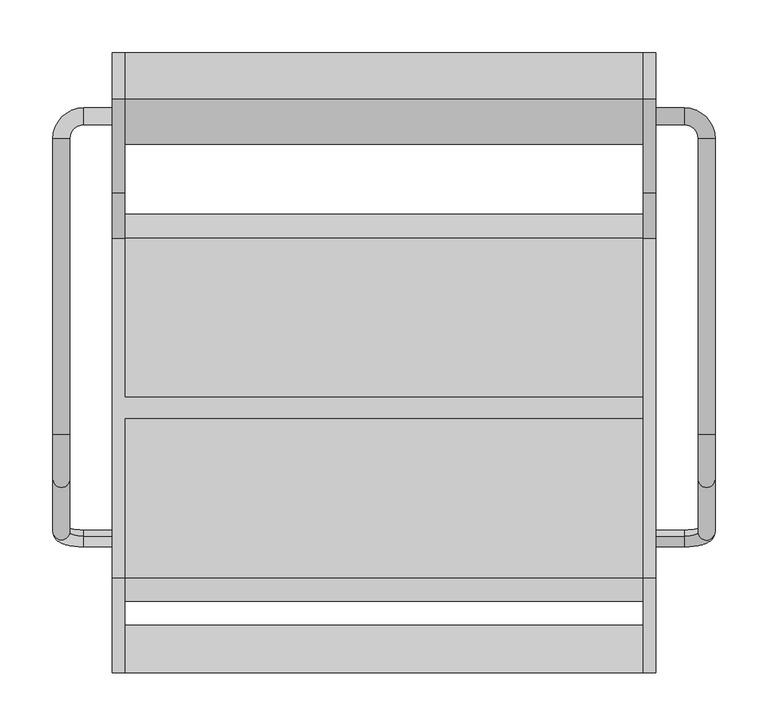
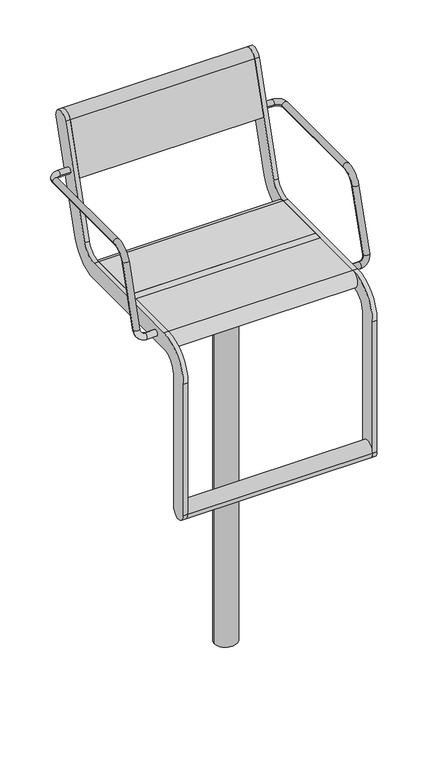
"""IFC4 building model written with IfcOpenShell, lengths in millimetres: furniture geometry."""

from ifc_helpers import new_model, si_unit, point, frame, frame_2d, origin, origin_2d, place, context, project, spatial, polyline, circle_curve, ellipse_curve, trimmed, segment, composite_curve, outline, extrude, source, transform, mapped, element, save
from ifc_brep_helpers import plane_surface, cylinder_surface, revolved_surface, advanced_brep


def furniture_77003b88(model_context):
    return source(origin(), model_context, "Body", "SolidModel", [
        extrude(outline(composite_curve([segment(trimmed(circle_curve(origin_2d(), 40.0), [point((-40.0, 0.0))], [point((40.0, 0.0))], False, "CARTESIAN"), True, "CONTINUOUS"), segment(trimmed(circle_curve(origin_2d(), 40.0), [point((40.0, 0.0))], [point((-40.0, 0.0))], False, "CARTESIAN"), True, "CONTINUOUS")], self_intersect=False)), frame((0.0, 0.0, 578.999979), z_axis=(0.0, 0.0, 1.0), x_axis=(1.0, 0.0, 0.0)), (0.0, 0.0, 1.0), 60.0000441),
        extrude(outline(polyline([(75.0, 125.0), (75.0, -125.0), (-75.0, -125.0), (-75.0, 125.0), (75.0, 125.0)])), frame((0.0, 0.0, 639.0000231), z_axis=(0.0, 0.0, 1.0), x_axis=(1.0, 0.0, 0.0)), (0.0, 0.0, 1.0), 15.9999681),
        extrude(outline(composite_curve([segment(trimmed(circle_curve(origin_2d(), 30.0), [point((-30.0, 0.0))], [point((30.0, 0.0))], False, "CARTESIAN"), True, "CONTINUOUS"), segment(trimmed(circle_curve(origin_2d(), 30.0), [point((30.0, 0.0))], [point((-30.0, 0.0))], False, "CARTESIAN"), True, "CONTINUOUS")], self_intersect=False)), frame((0.0, 0.0, -350.0), z_axis=(0.0, 0.0, 1.0), x_axis=(1.0, 0.0, 0.0)), (0.0, 0.0, 1.0), 928.999979),
        extrude(outline(composite_curve([segment(trimmed(circle_curve(frame_2d((-228.4999475, 240.0002133)), 22.4999984), [point((-205.9999492, 240.0002133))], [point((-250.9999459, 240.0002133))], False, "CARTESIAN"), True, "CONTINUOUS"), segment(trimmed(circle_curve(frame_2d((-228.4999475, 240.0002133)), 22.4999984), [point((-250.9999459, 240.0002133))], [point((-205.9999492, 240.0002133))], False, "CARTESIAN"), True, "CONTINUOUS")], self_intersect=False)), frame((-245.0, 0.0, 0.0), z_axis=(1.0, 0.0, 0.0), x_axis=(0.0, 1.0, 0.0)), (0.0, 0.0, 1.0), 490.0),
        extrude(outline(composite_curve([segment(trimmed(circle_curve(frame_2d((312.5544541, 1013.1126327)), 22.5), [point((291.0375971, 1019.6909961))], [point((334.0713112, 1006.5342693))], False, "CARTESIAN"), True, "CONTINUOUS"), segment(polyline([(334.0713112, 1006.5342693), (246.067428, 718.6865378)]), True, "CONTINUOUS"), segment(trimmed(circle_curve(frame_2d((160.0, 744.9999912)), 90.0), [point((246.067428, 718.6865378))], [point((160.0, 654.9999912))], False, "CARTESIAN"), True, "CONTINUOUS"), segment(polyline([(160.0, 654.9999912), (-161.000007, 654.9999912)]), True, "CONTINUOUS"), segment(trimmed(circle_curve(frame_2d((-161.000007, 610.000049)), 44.9999422), [point((-161.000007, 654.9999912))], [point((-205.9999492, 610.000049))], True, "CARTESIAN"), True, "CONTINUOUS"), segment(polyline([(-205.9999492, 610.000049), (-205.9999492, 240.0002133)]), True, "CONTINUOUS"), segment(trimmed(circle_curve(frame_2d((-228.4999475, 240.0002133)), 22.4999984), [point((-205.9999492, 240.0002133))], [point((-250.9999459, 240.0002133))], False, "CARTESIAN"), True, "CONTINUOUS"), segment(polyline([(-250.9999459, 240.0002133), (-250.9999459, 610.0000453)]), True, "CONTINUOUS"), segment(trimmed(circle_curve(frame_2d((-161.0, 610.0000453)), 89.9999459), [point((-250.9999459, 610.0000453))], [point((-161.0, 699.9999912))], False, "CARTESIAN"), True, "CONTINUOUS"), segment(polyline([(-161.0, 699.9999912), (160.0, 699.9999912)]), True, "CONTINUOUS"), segment(trimmed(circle_curve(frame_2d((160.0, 744.9999912)), 45.0), [point((160.0, 699.9999912))], [point((203.033714, 731.8432645))], True, "CARTESIAN"), True, "CONTINUOUS"), segment(polyline([(203.033714, 731.8432645), (291.0375971, 1019.6909961)]), True, "CONTINUOUS")], self_intersect=False)), frame((245.0000214, 0.0, 0.0), z_axis=(1.0, 0.0, 0.0), x_axis=(0.0, 1.0, 0.0)), (0.0, 0.0, 1.0), 12.0),
        advanced_brep(
        [(-257.0, -121.6610264, 685.1504293), (-257.0, -126.3389736, 669.8495532), (-284.0, -126.3389736, 669.8495532), (-284.0, -121.6610264, 685.1504293), (-313.0, -117.8601942, 697.5823911), (-297.0, -117.8601942, 697.5823911), (-313.0, 254.0, 891.4999912), (-313.0, -25.2753858, 891.4999912), (-297.0, -25.2753858, 891.4999912), (-297.0, 254.0, 891.4999912), (-297.0, -68.3090998, 859.6567179), (-313.0, -68.3090998, 859.6567179), (-257.0, 267.0, 891.4999912), (-257.0, 283.0, 891.4999912), (-284.0, 283.0, 891.4999912), (-284.0, 267.0, 891.4999912)],
        [
            (0, 1, circle_curve(frame((-257.0, -124.0, 677.4999912), z_axis=(1.0, 0.0, 0.0), x_axis=(0.0, -0.2923717047227402, -0.9563047559630344)), 8.0)),
            (1, 0, circle_curve(frame((-257.0, -124.0, 677.4999912), z_axis=(1.0, 0.0, 0.0), x_axis=(0.0, -0.2923717047227402, -0.9563047559630344)), 8.0)),
            (1, 2),
            (2, 3, circle_curve(frame((-284.0, -124.0, 677.4999912), z_axis=(1.0, 0.0, 0.0), x_axis=(0.0, -0.2923717047227402, -0.9563047559630344)), 8.0)),
            (3, 0),
            (3, 2, circle_curve(frame((-284.0, -124.0, 677.4999912), z_axis=(1.0, 0.0, 0.0), x_axis=(0.0, -0.2923717047227402, -0.9563047559630344)), 8.0)),
            (2, 4, circle_curve(frame((-284.0, -117.8601942, 697.5823911), z_axis=(0.0, 0.9563047559630344, -0.29237170472274027), x_axis=(0.0, -0.29237170472274027, -0.9563047559630344)), 29.0)),
            (4, 5, circle_curve(frame((-305.0, -117.8601942, 697.5823911), z_axis=(0.0, -0.29237170472274027, -0.9563047559630344), x_axis=(-1.0, 0.0, 0.0)), 8.0)),
            (5, 3, circle_curve(frame((-284.0, -117.8601942, 697.5823911), z_axis=(0.0, -0.9563047559630344, 0.29237170472274027), x_axis=(0.0, -0.29237170472274027, -0.9563047559630344)), 13.0)),
            (5, 4, circle_curve(frame((-305.0, -117.8601942, 697.5823911), z_axis=(0.0, -0.29237170472274027, -0.9563047559630344), x_axis=(-1.0, 0.0, 0.0)), 8.0)),
            (6, 7),
            (7, 8, circle_curve(frame((-305.0, -25.2753858, 891.4999912), z_axis=(0.0, 1.0, 0.0), x_axis=(-1.0, 0.0, 0.0)), 8.0)),
            (8, 9),
            (9, 6, circle_curve(frame((-305.0, 254.0, 891.4999912), z_axis=(0.0, -1.0, 0.0), x_axis=(-1.0, 0.0, 0.0)), 8.0)),
            (6, 9, circle_curve(frame((-305.0, 254.0, 891.4999912), z_axis=(0.0, -1.0, 0.0), x_axis=(-1.0, 0.0, 0.0)), 8.0)),
            (8, 7, circle_curve(frame((-305.0, -25.2753858, 891.4999912), z_axis=(0.0, 1.0, 0.0), x_axis=(-1.0, 0.0, 0.0)), 8.0)),
            (10, 11, circle_curve(frame((-305.0, -68.3090998, 859.6567179), z_axis=(0.0, -0.292371704722738, -0.9563047559630351), x_axis=(-1.0, 0.0, 0.0)), 8.0)),
            (11, 4),
            (5, 10),
            (11, 10, circle_curve(frame((-305.0, -68.3090998, 859.6567179), z_axis=(0.0, -0.292371704722738, -0.9563047559630351), x_axis=(-1.0, 0.0, 0.0)), 8.0)),
            (7, 11, circle_curve(frame((-313.0, -25.2753858, 846.4999912), z_axis=(1.0, 0.0, 0.0), x_axis=(0.0, 0.0, 1.0)), 45.0)),
            (10, 8, circle_curve(frame((-297.0, -25.2753858, 846.4999912), z_axis=(-1.0, 0.0, 0.0), x_axis=(0.0, 0.0, 1.0)), 45.0)),
            (12, 13, circle_curve(frame((-257.0, 275.0, 891.4999912), z_axis=(1.0, 0.0, 0.0), x_axis=(0.0, 1.0, 0.0)), 8.0)),
            (13, 12, circle_curve(frame((-257.0, 275.0, 891.4999912), z_axis=(1.0, 0.0, 0.0), x_axis=(0.0, 1.0, 0.0)), 8.0)),
            (13, 14),
            (14, 15, circle_curve(frame((-284.0, 275.0, 891.4999912), z_axis=(1.0, 0.0, 0.0), x_axis=(0.0, 1.0, 0.0)), 8.0)),
            (15, 12),
            (15, 14, circle_curve(frame((-284.0, 275.0, 891.4999912), z_axis=(1.0, 0.0, 0.0), x_axis=(0.0, 1.0, 0.0)), 8.0)),
            (14, 6, circle_curve(frame((-284.0, 254.0, 891.4999912), z_axis=(0.0, 0.0, 1.0), x_axis=(0.0, 1.0, 0.0)), 29.0)),
            (9, 15, circle_curve(frame((-284.0, 254.0, 891.4999912), z_axis=(0.0, 0.0, -1.0), x_axis=(0.0, 1.0, 0.0)), 13.0)),
        ],
        [
            plane_surface(frame((-257.0, -737.469501, 865.0564398), z_axis=(1.0, 0.0, 0.0), x_axis=(0.0, 0.9563047559630344, -0.29237170472274027))),
            cylinder_surface(frame((-257.0, -124.0, 677.4999912), z_axis=(1.0, 0.0, 0.0), x_axis=(0.0, -0.2923717047227402, -0.9563047559630344)), 8.0),
            revolved_surface(trimmed(ellipse_curve(frame((-284.0, -124.0, 677.4999912), z_axis=(1.0, 0.0, 0.0), x_axis=(0.0, -0.2923717047227402, -0.9563047559630344)), 8.0, 8.0), [point((-284.0, -126.3389736, 669.8495532))], [point((-284.0, -121.6610264, 685.1504293))], True, "CARTESIAN"), (-284.0, -731.3296952, 885.1388397), (0.0, 0.9563047559630344, -0.29237170472274027)),
            revolved_surface(trimmed(ellipse_curve(frame((-284.0, -124.0, 677.4999912), z_axis=(1.0, 0.0, 0.0), x_axis=(0.0, -0.2923717047227402, -0.9563047559630344)), 8.0, 8.0), [point((-284.0, -121.6610264, 685.1504293))], [point((-284.0, -126.3389736, 669.8495532))], True, "CARTESIAN"), (-284.0, -731.3296952, 885.1388397), (0.0, 0.9563047559630344, -0.29237170472274027)),
            cylinder_surface(frame((-305.0, 254.0, 891.4999912), z_axis=(0.0, 1.0, 0.0), x_axis=(-1.0, 0.0, 0.0)), 8.0),
            cylinder_surface(frame((-305.0, -68.3090998, 859.6567179), z_axis=(0.0, 0.292371704722738, 0.9563047559630351), x_axis=(-1.0, 0.0, 0.0)), 8.0),
            revolved_surface(trimmed(ellipse_curve(frame((-305.0, -25.2753858, 891.4999912), z_axis=(0.0, 1.0, 0.0), x_axis=(-1.0, 0.0, 0.0)), 8.0, 8.0), [point((-313.0, -25.2753858, 891.4999912))], [point((-297.0, -25.2753858, 891.4999912))], True, "CARTESIAN"), (0.0, -25.2753858, 846.4999912), (1.0, 0.0, 0.0)),
            revolved_surface(trimmed(ellipse_curve(frame((-305.0, -25.2753858, 891.4999912), z_axis=(0.0, 1.0, 0.0), x_axis=(-1.0, 0.0, 0.0)), 8.0, 8.0), [point((-297.0, -25.2753858, 891.4999912))], [point((-313.0, -25.2753858, 891.4999912))], True, "CARTESIAN"), (0.0, -25.2753858, 846.4999912), (1.0, 0.0, 0.0)),
            plane_surface(frame((-257.0, 275.0, -99.999782), z_axis=(1.0, 0.0, 0.0), x_axis=(0.0, 0.0, 1.0))),
            cylinder_surface(frame((-257.0, 275.0, 891.4999912), z_axis=(1.0, 0.0, 0.0), x_axis=(0.0, 1.0, 0.0)), 8.0),
            revolved_surface(trimmed(ellipse_curve(frame((-284.0, 275.0, 891.4999912), z_axis=(1.0, 0.0, 0.0), x_axis=(0.0, 1.0, 0.0)), 8.0, 8.0), [point((-284.0, 283.0, 891.4999912))], [point((-284.0, 267.0, 891.4999912))], True, "CARTESIAN"), (-284.0, 254.0, -99.999782), (0.0, 0.0, 1.0)),
            revolved_surface(trimmed(ellipse_curve(frame((-284.0, 275.0, 891.4999912), z_axis=(1.0, 0.0, 0.0), x_axis=(0.0, 1.0, 0.0)), 8.0, 8.0), [point((-284.0, 267.0, 891.4999912))], [point((-284.0, 283.0, 891.4999912))], True, "CARTESIAN"), (-284.0, 254.0, -99.999782), (0.0, 0.0, 1.0)),
        ],
        [
            (0, [[1, 2]]),
            (1, [[-2, 3, 4, 5]]),
            (1, [[-1, -5, 6, -3]]),
            (2, [[-4, 7, 8, 9]]),
            (3, [[-6, -9, 10, -7]]),
            (4, [[11, 12, 13, 14]]),
            (4, [[-11, 15, -13, 16]]),
            (5, [[17, 18, -10, 19]]),
            (5, [[-18, 20, -19, -8]]),
            (6, [[-12, 21, -17, 22]]),
            (7, [[-16, -22, -20, -21]]),
            (8, [[23, 24]]),
            (9, [[-24, 25, 26, 27]]),
            (9, [[-23, -27, 28, -25]]),
            (10, [[-26, 29, -14, 30]]),
            (11, [[-28, -30, -15, -29]]),
        ],
    ),
        advanced_brep(
        [(297.0, 254.0, 891.4999912), (297.0, -25.2753858, 891.4999912), (313.0, -25.2753858, 891.4999912), (313.0, 254.0, 891.4999912), (313.0, -68.3090998, 859.6567179), (297.0, -68.3090998, 859.6567179), (297.0, -117.8601942, 697.5823911), (313.0, -117.8601942, 697.5823911), (257.0, 267.0, 891.4999912), (257.0, 283.0, 891.4999912), (284.0, 267.0, 891.4999912), (284.0, 283.0, 891.4999912), (257.0, -121.6610264, 685.1504293), (257.0, -126.3389736, 669.8495532), (284.0, -121.6610264, 685.1504293), (284.0, -126.3389736, 669.8495532)],
        [
            (0, 1),
            (1, 2, circle_curve(frame((305.0, -25.2753858, 891.4999912), z_axis=(0.0, 1.0, 0.0), x_axis=(1.0, 0.0, 0.0)), 8.0)),
            (2, 3),
            (3, 0, circle_curve(frame((305.0, 254.0, 891.4999912), z_axis=(0.0, -1.0, 0.0), x_axis=(1.0, 0.0, 0.0)), 8.0)),
            (0, 3, circle_curve(frame((305.0, 254.0, 891.4999912), z_axis=(0.0, -1.0, 0.0), x_axis=(1.0, 0.0, 0.0)), 8.0)),
            (2, 1, circle_curve(frame((305.0, -25.2753858, 891.4999912), z_axis=(0.0, 1.0, 0.0), x_axis=(1.0, 0.0, 0.0)), 8.0)),
            (4, 5, circle_curve(frame((305.0, -68.3090998, 859.6567179), z_axis=(0.0, -0.292371704722738, -0.9563047559630351), x_axis=(1.0, 0.0, 0.0)), 8.0)),
            (5, 6),
            (6, 7, circle_curve(frame((305.0, -117.8601942, 697.5823911), z_axis=(0.0, 0.292371704722738, 0.9563047559630351), x_axis=(1.0, 0.0, 0.0)), 8.0)),
            (7, 4),
            (5, 4, circle_curve(frame((305.0, -68.3090998, 859.6567179), z_axis=(0.0, -0.292371704722738, -0.9563047559630351), x_axis=(1.0, 0.0, 0.0)), 8.0)),
            (7, 6, circle_curve(frame((305.0, -117.8601942, 697.5823911), z_axis=(0.0, 0.292371704722738, 0.9563047559630351), x_axis=(1.0, 0.0, 0.0)), 8.0)),
            (1, 5, circle_curve(frame((297.0, -25.2753858, 846.4999912), z_axis=(1.0, 0.0, 0.0), x_axis=(0.0, 0.0, 1.0)), 45.0)),
            (4, 2, circle_curve(frame((313.0, -25.2753858, 846.4999912), z_axis=(-1.0, 0.0, 0.0), x_axis=(0.0, 0.0, 1.0)), 45.0)),
            (8, 9, circle_curve(frame((257.0, 275.0, 891.4999912), z_axis=(-1.0, 0.0, 0.0), x_axis=(0.0, 1.0, 0.0)), 8.0)),
            (9, 8, circle_curve(frame((257.0, 275.0, 891.4999912), z_axis=(-1.0, 0.0, 0.0), x_axis=(0.0, 1.0, 0.0)), 8.0)),
            (8, 10),
            (10, 11, circle_curve(frame((284.0, 275.0, 891.4999912), z_axis=(-1.0, 0.0, 0.0), x_axis=(0.0, 1.0, 0.0)), 8.0)),
            (11, 9),
            (11, 10, circle_curve(frame((284.0, 275.0, 891.4999912), z_axis=(-1.0, 0.0, 0.0), x_axis=(0.0, 1.0, 0.0)), 8.0)),
            (10, 0, circle_curve(frame((284.0, 254.0, 891.4999912), z_axis=(0.0, 0.0, -1.0), x_axis=(0.0, 1.0, 0.0)), 13.0)),
            (3, 11, circle_curve(frame((284.0, 254.0, 891.4999912), z_axis=(0.0, 0.0, 1.0), x_axis=(0.0, 1.0, 0.0)), 29.0)),
            (12, 13, circle_curve(frame((257.0, -124.0, 677.4999912), z_axis=(-1.0, 0.0, 0.0), x_axis=(0.0, -0.2923717047227402, -0.9563047559630344)), 8.0)),
            (13, 12, circle_curve(frame((257.0, -124.0, 677.4999912), z_axis=(-1.0, 0.0, 0.0), x_axis=(0.0, -0.2923717047227402, -0.9563047559630344)), 8.0)),
            (12, 14),
            (14, 15, circle_curve(frame((284.0, -124.0, 677.4999912), z_axis=(-1.0, 0.0, 0.0), x_axis=(0.0, -0.2923717047227402, -0.9563047559630344)), 8.0)),
            (15, 13),
            (15, 14, circle_curve(frame((284.0, -124.0, 677.4999912), z_axis=(-1.0, 0.0, 0.0), x_axis=(0.0, -0.2923717047227402, -0.9563047559630344)), 8.0)),
            (14, 6, circle_curve(frame((284.0, -117.8601942, 697.5823911), z_axis=(0.0, -0.9563047559630344, 0.2923717047227402), x_axis=(0.0, -0.2923717047227402, -0.9563047559630344)), 13.0)),
            (7, 15, circle_curve(frame((284.0, -117.8601942, 697.5823911), z_axis=(0.0, 0.9563047559630344, -0.2923717047227402), x_axis=(0.0, -0.2923717047227402, -0.9563047559630344)), 29.0)),
        ],
        [
            cylinder_surface(frame((305.0, 254.0, 891.4999912), z_axis=(0.0, 1.0, 0.0), x_axis=(1.0, 0.0, 0.0)), 8.0),
            cylinder_surface(frame((305.0, -68.3090998, 859.6567179), z_axis=(0.0, 0.292371704722738, 0.9563047559630351), x_axis=(1.0, 0.0, 0.0)), 8.0),
            revolved_surface(trimmed(ellipse_curve(frame((305.0, -25.2753858, 891.4999912), z_axis=(0.0, 1.0, 0.0), x_axis=(1.0, 0.0, 0.0)), 8.0, 8.0), [point((297.0, -25.2753858, 891.4999912))], [point((313.0, -25.2753858, 891.4999912))], True, "CARTESIAN"), (0.0, -25.2753858, 846.4999912), (1.0, 0.0, 0.0)),
            revolved_surface(trimmed(ellipse_curve(frame((305.0, -25.2753858, 891.4999912), z_axis=(0.0, 1.0, 0.0), x_axis=(1.0, 0.0, 0.0)), 8.0, 8.0), [point((313.0, -25.2753858, 891.4999912))], [point((297.0, -25.2753858, 891.4999912))], True, "CARTESIAN"), (0.0, -25.2753858, 846.4999912), (1.0, 0.0, 0.0)),
            plane_surface(frame((257.0, 275.0, -99.999782), z_axis=(-1.0, 0.0, 0.0), x_axis=(0.0, 0.0, 1.0))),
            cylinder_surface(frame((257.0, 275.0, 891.4999912), z_axis=(-1.0, 0.0, 0.0), x_axis=(0.0, 1.0, 0.0)), 8.0),
            revolved_surface(trimmed(ellipse_curve(frame((284.0, 275.0, 891.4999912), z_axis=(-1.0, 0.0, 0.0), x_axis=(0.0, 1.0, 0.0)), 8.0, 8.0), [point((284.0, 267.0, 891.4999912))], [point((284.0, 283.0, 891.4999912))], True, "CARTESIAN"), (284.0, 254.0, -99.999782), (0.0, 0.0, -1.0)),
            revolved_surface(trimmed(ellipse_curve(frame((284.0, 275.0, 891.4999912), z_axis=(-1.0, 0.0, 0.0), x_axis=(0.0, 1.0, 0.0)), 8.0, 8.0), [point((284.0, 283.0, 891.4999912))], [point((284.0, 267.0, 891.4999912))], True, "CARTESIAN"), (284.0, 254.0, -99.999782), (0.0, 0.0, -1.0)),
            plane_surface(frame((257.0, -737.469501, 865.0564398), z_axis=(-1.0, 0.0, 0.0), x_axis=(0.0, 0.9563047559630344, -0.2923717047227402))),
            cylinder_surface(frame((257.0, -124.0, 677.4999912), z_axis=(-1.0, 0.0, 0.0), x_axis=(0.0, -0.2923717047227402, -0.9563047559630344)), 8.0),
            revolved_surface(trimmed(ellipse_curve(frame((284.0, -124.0, 677.4999912), z_axis=(-1.0, 0.0, 0.0), x_axis=(0.0, -0.2923717047227402, -0.9563047559630344)), 8.0, 8.0), [point((284.0, -121.6610264, 685.1504293))], [point((284.0, -126.3389736, 669.8495532))], True, "CARTESIAN"), (284.0, -731.3296952, 885.1388397), (0.0, -0.9563047559630344, 0.2923717047227402)),
            revolved_surface(trimmed(ellipse_curve(frame((284.0, -124.0, 677.4999912), z_axis=(-1.0, 0.0, 0.0), x_axis=(0.0, -0.2923717047227402, -0.9563047559630344)), 8.0, 8.0), [point((284.0, -126.3389736, 669.8495532))], [point((284.0, -121.6610264, 685.1504293))], True, "CARTESIAN"), (284.0, -731.3296952, 885.1388397), (0.0, -0.9563047559630344, 0.2923717047227402)),
        ],
        [
            (0, [[1, 2, 3, 4]]),
            (0, [[-1, 5, -3, 6]]),
            (1, [[7, 8, 9, 10]]),
            (1, [[-8, 11, -10, 12]]),
            (2, [[-2, 13, -7, 14]]),
            (3, [[-6, -14, -11, -13]]),
            (4, [[15, 16]]),
            (5, [[-15, 17, 18, 19]]),
            (5, [[-16, -19, 20, -17]]),
            (6, [[-18, 21, -4, 22]]),
            (7, [[-20, -22, -5, -21]]),
            (8, [[23, 24]]),
            (9, [[-23, 25, 26, 27]]),
            (9, [[-24, -27, 28, -25]]),
            (10, [[-26, 29, -12, 30]]),
            (11, [[-28, -30, -9, -29]]),
        ],
    ),
        advanced_brep(
        [(-245.0, 291.0375971, 1019.6909961), (-245.0, 203.033714, 731.8432645), (-245.0, 160.0, 699.9999912), (-245.0, 9.5, 699.9999912), (-245.0, 9.5, 654.9999912), (-245.0, 160.0, 654.9999912), (-245.0, 246.067428, 718.6865378), (-245.0, 334.0713112, 1006.5342693), (-245.0, -161.0, 699.9999912), (-245.0, -250.9999459, 610.0000453), (-245.0, -250.9999459, 240.0002133), (-245.0, -205.9999492, 240.0002133), (-245.0, -205.9999492, 610.000049), (-245.0, -161.000007, 654.9999912), (-245.0, -10.5, 654.9999912), (-245.0, -10.5, 699.9999912), (-257.0, 291.0375971, 1019.6909961), (-257.0, 334.0713112, 1006.5342693), (-257.0, 246.067428, 718.6865378), (-257.0, 160.0, 654.9999912), (-257.0, -161.000007, 654.9999912), (-257.0, -205.9999492, 610.000049), (-257.0, -205.9999492, 240.0002133), (-257.0, -250.9999459, 240.0002133), (-257.0, -250.9999459, 610.0000453), (-257.0, -161.0, 699.9999912), (-257.0, 160.0, 699.9999912), (-257.0, 203.033714, 731.8432645), (245.0, -10.5, 699.9999912), (245.0, 9.5, 699.9999912), (245.0, 9.5, 654.9999912), (245.0, -10.5, 654.9999912)],
        [
            (0, 1),
            (1, 2, circle_curve(frame((-245.0, 160.0, 744.9999912), z_axis=(-1.0, 0.0, 0.0), x_axis=(0.0, -1.0, 0.0)), 45.0)),
            (2, 3),
            (3, 4),
            (4, 5),
            (5, 6, circle_curve(frame((-245.0, 160.0, 744.9999912), z_axis=(1.0, 0.0, 0.0), x_axis=(0.0, -1.0, 0.0)), 90.0)),
            (6, 7),
            (7, 0, circle_curve(frame((-245.0, 312.5544541, 1013.1126327), z_axis=(1.0, 0.0, 0.0), x_axis=(0.0, -1.0, 0.0)), 22.5)),
            (8, 9, circle_curve(frame((-245.0, -161.0, 610.0000453), z_axis=(1.0, 0.0, 0.0), x_axis=(0.0, -1.0, 0.0)), 89.9999459)),
            (9, 10),
            (10, 11, circle_curve(frame((-245.0, -228.4999475, 240.0002133), z_axis=(1.0, 0.0, 0.0), x_axis=(0.0, -1.0, 0.0)), 22.4999984)),
            (11, 12),
            (12, 13, circle_curve(frame((-245.0, -161.000007, 610.000049), z_axis=(-1.0, 0.0, 0.0), x_axis=(0.0, -1.0, 0.0)), 44.9999422)),
            (13, 14),
            (14, 15),
            (15, 8),
            (16, 17, circle_curve(frame((-257.0, 312.5544541, 1013.1126327), z_axis=(-1.0, 0.0, 0.0), x_axis=(0.0, -1.0, 0.0)), 22.5)),
            (17, 18),
            (18, 19, circle_curve(frame((-257.0, 160.0, 744.9999912), z_axis=(-1.0, 0.0, 0.0), x_axis=(0.0, -1.0, 0.0)), 90.0)),
            (19, 20),
            (20, 21, circle_curve(frame((-257.0, -161.000007, 610.000049), z_axis=(1.0, 0.0, 0.0), x_axis=(0.0, -1.0, 0.0)), 44.9999422)),
            (21, 22),
            (22, 23, circle_curve(frame((-257.0, -228.4999475, 240.0002133), z_axis=(-1.0, 0.0, 0.0), x_axis=(0.0, -1.0, 0.0)), 22.4999984)),
            (23, 24),
            (24, 25, circle_curve(frame((-257.0, -161.0, 610.0000453), z_axis=(-1.0, 0.0, 0.0), x_axis=(0.0, -1.0, 0.0)), 89.9999459)),
            (25, 26),
            (26, 27, circle_curve(frame((-257.0, 160.0, 744.9999912), z_axis=(1.0, 0.0, 0.0), x_axis=(0.0, -1.0, 0.0)), 45.0)),
            (27, 16),
            (0, 16),
            (27, 1),
            (26, 2),
            (25, 8),
            (15, 28),
            (28, 29),
            (29, 3),
            (19, 5),
            (4, 30),
            (30, 31),
            (31, 14),
            (13, 20),
            (18, 6),
            (17, 7),
            (28, 31),
            (30, 29),
            (24, 9),
            (23, 10),
            (22, 11),
            (21, 12),
        ],
        [
            plane_surface(frame((-245.0, 203.033714, 731.8432645), z_axis=(1.0, 0.0, 0.0), x_axis=(0.0, -0.2923717047227337, -0.9563047559630364))),
            plane_surface(frame((-257.0, 203.033714, 731.8432645), z_axis=(-1.0, 0.0, 0.0), x_axis=(0.0, 0.2923717047227337, 0.9563047559630364))),
            plane_surface(frame((-245.0, 291.0375971, 1019.6909961), z_axis=(0.0, -0.9563047559630364, 0.2923717047227337), x_axis=(-1.0, 0.0, 0.0))),
            revolved_surface(polyline([(-257.0, 115.0, 744.9999912), (-245.0, 115.0, 744.9999912)]), (-257.0, 160.0, 744.9999912), (-1.0, 0.0, 0.0)),
            plane_surface(frame((-245.0, 160.0, 699.9999912), z_axis=(0.0, 0.0, 1.0), x_axis=(-1.0, 0.0, 0.0))),
            plane_surface(frame((-245.0, -161.000007, 654.9999912), z_axis=(0.0, 0.0, -1.0), x_axis=(-1.0, 0.0, 0.0))),
            cylinder_surface(frame((-257.0, 160.0, 744.9999912), z_axis=(1.0, 0.0, 0.0), x_axis=(0.0, -1.0, 0.0)), 90.0),
            plane_surface(frame((-245.0, 246.067428, 718.6865378), z_axis=(0.0, 0.9563047559630364, -0.2923717047227337), x_axis=(-1.0, 0.0, 0.0))),
            cylinder_surface(frame((-257.0, 312.5544541, 1013.1126327), z_axis=(1.0, 0.0, 0.0), x_axis=(0.0, -1.0, 0.0)), 22.5),
            plane_surface(frame((245.0, -10.5, 699.9999912), z_axis=(1.0, 0.0, 0.0), x_axis=(0.0, -1.0, 0.0))),
            plane_surface(frame((245.0, -10.5, 699.9999912), z_axis=(0.0, -1.0, 0.0), x_axis=(-1.0, 0.0, 0.0))),
            plane_surface(frame((245.0, 9.5, 654.9999912), z_axis=(0.0, 1.0, 0.0), x_axis=(-1.0, 0.0, 0.0))),
            cylinder_surface(frame((-257.0, -161.0, 610.0000453), z_axis=(1.0, 0.0, 0.0), x_axis=(0.0, -1.0, 0.0)), 89.9999459),
            plane_surface(frame((-245.0, -250.9999459, 610.0000453), z_axis=(0.0, -1.0, 0.0), x_axis=(-1.0, 0.0, 0.0))),
            cylinder_surface(frame((-257.0, -228.4999475, 240.0002133), z_axis=(1.0, 0.0, 0.0), x_axis=(0.0, -1.0, 0.0)), 22.4999984),
            plane_surface(frame((-245.0, -205.9999492, 240.0002133), z_axis=(0.0, 1.0, 0.0), x_axis=(-1.0, 0.0, 0.0))),
            revolved_surface(polyline([(-257.0, -205.9999492, 610.000049), (-245.0, -205.9999492, 610.000049)]), (-257.0, -161.000007, 610.000049), (-1.0, 0.0, 0.0)),
        ],
        [
            (0, [[1, 2, 3, 4, 5, 6, 7, 8]]),
            (0, [[9, 10, 11, 12, 13, 14, 15, 16]]),
            (1, [[17, 18, 19, 20, 21, 22, 23, 24, 25, 26, 27, 28]]),
            (2, [[-1, 29, -28, 30]]),
            (3, [[-2, -30, -27, 31]]),
            (4, [[-26, 32, -16, 33, 34, 35, -3, -31]]),
            (5, [[-20, 36, -5, 37, 38, 39, -14, 40]]),
            (6, [[-6, -36, -19, 41]]),
            (7, [[-7, -41, -18, 42]]),
            (8, [[-8, -42, -17, -29]]),
            (9, [[-34, 43, -38, 44]]),
            (10, [[-43, -33, -15, -39]]),
            (11, [[-44, -37, -4, -35]]),
            (12, [[-9, -32, -25, 45]]),
            (13, [[-10, -45, -24, 46]]),
            (14, [[-11, -46, -23, 47]]),
            (15, [[-12, -47, -22, 48]]),
            (16, [[-13, -48, -21, -40]]),
        ],
    ),
        extrude(outline(composite_curve([segment(trimmed(circle_curve(frame_2d((312.5544541, 1013.1126327)), 22.5), [point((291.0375971, 1019.6909961))], [point((334.0713112, 1006.5342693))], False, "CARTESIAN"), True, "CONTINUOUS"), segment(polyline([(334.0713112, 1006.5342693), (291.5312281, 867.3919274), (248.4975141, 880.5486541), (291.0375971, 1019.6909961)]), True, "CONTINUOUS")], self_intersect=False)), frame((-245.0, 0.0, 0.0), z_axis=(1.0, 0.0, 0.0), x_axis=(0.0, 1.0, 0.0)), (0.0, 0.0, 1.0), 490.0),
        extrude(outline(composite_curve([segment(polyline([(9.5, 654.9999912), (9.5, 699.9999912), (160.0, 699.9999912)]), True, "CONTINUOUS"), segment(trimmed(circle_curve(frame_2d((160.0, 677.4999912)), 22.5), [point((160.0, 699.9999912))], [point((160.0, 654.9999912))], False, "CARTESIAN"), True, "CONTINUOUS"), segment(polyline([(160.0, 654.9999912), (9.5, 654.9999912)]), True, "CONTINUOUS")], self_intersect=False)), frame((-245.0, 0.0, 0.0), z_axis=(1.0, 0.0, 0.0), x_axis=(0.0, 1.0, 0.0)), (0.0, 0.0, 1.0), 490.0),
        extrude(outline(composite_curve([segment(polyline([(-10.5, 654.9999912), (-161.0, 654.9999912)]), True, "CONTINUOUS"), segment(trimmed(circle_curve(frame_2d((-161.0, 677.4999912)), 22.5), [point((-161.0, 654.9999912))], [point((-161.0, 699.9999912))], False, "CARTESIAN"), True, "CONTINUOUS"), segment(polyline([(-161.0, 699.9999912), (-10.5, 699.9999912), (-10.5, 654.9999912)]), True, "CONTINUOUS")], self_intersect=False)), frame((-245.0, 0.0, 0.0), z_axis=(1.0, 0.0, 0.0), x_axis=(0.0, 1.0, 0.0)), (0.0, 0.0, 1.0), 490.0),
    ])


if __name__ == "__main__":
    model = new_model("IFC4")
    model_context = context("Model", 3, world=origin())
    ifc_project = project(units=[si_unit("LENGTHUNIT", "METRE", prefix="MILLI")], contexts=[model_context])
    site = spatial("IfcSite", under=ifc_project)
    building = spatial("IfcBuilding", under=site)
    placement = place(None, origin())
    furniture_shape = furniture_77003b88(model_context)
    element("IfcFurniture", 1, at=placement, inside=building, context=model_context, shape_type="MappedRepresentation", body=[
        mapped(furniture_shape, transform((0.0, 0.0, 0.0), x_axis=(1.0, 0.0, 0.0), y_axis=(0.0, 1.0, 0.0), z_axis=(0.0, 0.0, 1.0))),
    ])
    save(model, "model.ifc")
